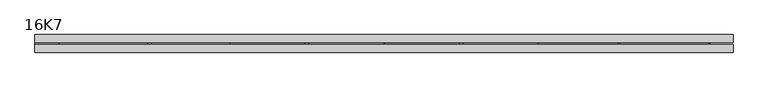
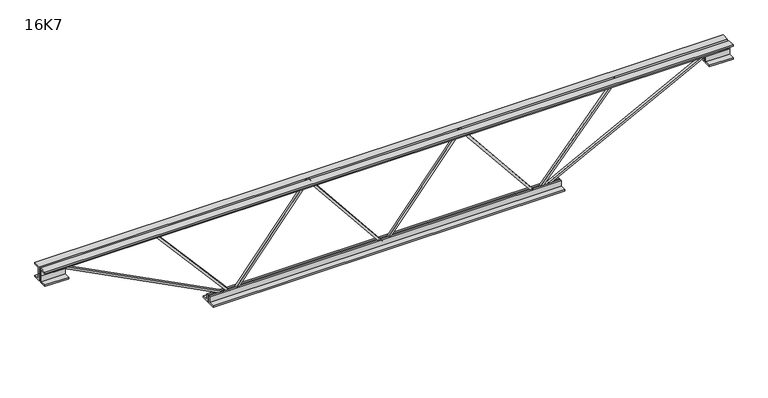
"""IFC4 building model written with IfcOpenShell, lengths in millimetres: beam geometry, 16K7."""

from ifc_helpers import new_model, si_unit, frame, origin, place, context, project, spatial, polyline, outline, extrude, source, transform, mapped, element, save


def beam_16k7_a87d482b(model_context):
    return source(origin(), model_context, "Body", "SweptSolid", [
        extrude(outline(polyline([(-191.9, 0.0), (-201.4, 0.0), (-201.4, 5.4533975), (191.9, 321.1033975), (191.9, 322.8966025), (-201.4, 638.5466025), (-201.4, 644.0), (-191.9, 644.0), (-191.9, 643.1033975), (201.4, 327.4533975), (201.4, 316.5466025), (-191.9, 0.8966025), (-191.9, 0.0)])), frame((0.0, -4.75, 0.0), z_axis=(0.0, 1.0, 0.0), x_axis=(0.0, 0.0, 1.0)), (0.0, 0.0, 1.0), 9.5),
        extrude(outline(polyline([(-191.9, -644.0), (-201.4, -644.0), (-201.4, -638.5466025), (191.9, -322.8966025), (191.9, -321.1033975), (-201.4, -5.4533975), (-201.4, 0.0), (-191.9, 0.0), (-191.9, -0.8966025), (201.4, -316.5466025), (201.4, -327.4533975), (-191.9, -643.1033975), (-191.9, -644.0)])), frame((0.0, -4.75, 0.0), z_axis=(0.0, 1.0, 0.0), x_axis=(0.0, 0.0, 1.0)), (0.0, 0.0, 1.0), 9.5),
        extrude(outline(polyline([(4.75, 203.0), (36.75, 203.0), (36.75, 196.5), (11.25, 196.5), (11.25, 171.0), (4.75, 171.0), (4.75, 203.0)])), frame((-1456.0, 0.0, 0.0), z_axis=(1.0, 0.0, 0.0), x_axis=(0.0, 1.0, 0.0)), (0.0, 0.0, 1.0), 2912.0),
        extrude(outline(polyline([(-4.75, 203.0), (-4.75, 171.0), (-11.25, 171.0), (-11.25, 196.5), (-36.75, 196.5), (-36.75, 203.0), (-4.75, 203.0)])), frame((-1456.0, 0.0, 0.0), z_axis=(1.0, 0.0, 0.0), x_axis=(0.0, 1.0, 0.0)), (0.0, 0.0, 1.0), 2912.0),
        extrude(outline(polyline([(-4.75, 139.5), (-36.75, 139.5), (-36.75, 146.0), (-11.25, 146.0), (-11.25, 171.0), (-4.75, 171.0), (-4.75, 139.5)])), frame((-1456.0, 0.0, 0.0), z_axis=(1.0, 0.0, 0.0), x_axis=(0.0, 1.0, 0.0)), (0.0, 0.0, 1.0), 100.0),
        extrude(outline(polyline([(36.75, 139.5), (4.75, 139.5), (4.75, 171.0), (11.25, 171.0), (11.25, 146.0), (36.75, 146.0), (36.75, 139.5)])), frame((-1456.0, 0.0, 0.0), z_axis=(1.0, 0.0, 0.0), x_axis=(0.0, 1.0, 0.0)), (0.0, 0.0, 1.0), 100.0),
        extrude(outline(polyline([(4.75, 139.5), (4.75, 171.0), (11.25, 171.0), (11.25, 146.0), (36.75, 146.0), (36.75, 139.5), (4.75, 139.5)])), frame((1356.0, 0.0, 0.0), z_axis=(1.0, 0.0, 0.0), x_axis=(0.0, 1.0, 0.0)), (0.0, 0.0, 1.0), 100.0),
        extrude(outline(polyline([(-4.75, 139.5), (-36.75, 139.5), (-36.75, 146.0), (-11.25, 146.0), (-11.25, 171.0), (-4.75, 171.0), (-4.75, 139.5)])), frame((1356.0, 0.0, 0.0), z_axis=(1.0, 0.0, 0.0), x_axis=(0.0, 1.0, 0.0)), (0.0, 0.0, 1.0), 100.0),
        extrude(outline(polyline([(4.75, -203.0), (4.75, -171.0), (11.25, -171.0), (11.25, -196.5), (36.75, -196.5), (36.75, -203.0), (4.75, -203.0)])), frame((-744.0, 0.0, 0.0), z_axis=(1.0, 0.0, 0.0), x_axis=(0.0, 1.0, 0.0)), (0.0, 0.0, 1.0), 1488.0),
        extrude(outline(polyline([(-4.75, -203.0), (-36.75, -203.0), (-36.75, -196.5), (-11.25, -196.5), (-11.25, -171.0), (-4.75, -171.0), (-4.75, -203.0)])), frame((-744.0, 0.0, 0.0), z_axis=(1.0, 0.0, 0.0), x_axis=(0.0, 1.0, 0.0)), (0.0, 0.0, 1.0), 1488.0),
        extrude(outline(polyline([(-200.8705467, -646.1793315), (-192.4294533, -641.8206685), (175.75, -1354.8460208), (175.75, -1456.0), (166.25, -1456.0), (166.25, -1357.1539792), (-200.8705467, -646.1793315)])), frame((0.0, -4.75, 0.0), z_axis=(0.0, 1.0, 0.0), x_axis=(0.0, 0.0, 1.0)), (0.0, 0.0, 1.0), 9.5),
        extrude(outline(polyline([(188.7, -985.9571429), (179.2, -985.9571429), (179.2, -975.4287001), (-199.7577053, -647.5923067), (-193.5422947, -640.4076933), (188.7, -971.0855856), (188.7, -985.9571429)])), frame((0.0, -4.75, 0.0), z_axis=(0.0, 1.0, 0.0), x_axis=(0.0, 0.0, 1.0)), (0.0, 0.0, 1.0), 9.5),
        extrude(outline(polyline([(0.0, -9.5), (0.0, 0.0), (801.3179909, 0.0), (801.3179909, -9.5), (0.0, -9.5)])), frame((1358.1793315, -4.75, 166.7794533), z_axis=(-0.4588066213244957, 0.0, 0.8885361468329811), x_axis=(-0.8885361468329811, 0.0, -0.4588066213244957)), (0.0, 0.0, 1.0), 9.5),
        extrude(outline(polyline([(4.75, 4.75), (4.75, -4.75), (-4.75, -4.75), (-4.75, 4.75), (4.75, 4.75)])), frame((644.0, 0.0, -196.65), z_axis=(0.6501229000381701, 0.0, 0.7598290694925797), x_axis=(0.0, -1.0, 0.0)), (0.0, 0.0, 1.0), 517.6164164),
    ])


if __name__ == "__main__":
    model = new_model("IFC4")
    model_context = context("Model", 3, world=origin())
    ifc_project = project(units=[si_unit("LENGTHUNIT", "METRE", prefix="MILLI")], contexts=[model_context])
    site = spatial("IfcSite", under=ifc_project)
    building = spatial("IfcBuilding", under=site)
    placement = place(None, origin())
    beam_16k7_shape = beam_16k7_a87d482b(model_context)
    element("IfcBeam", 1, ObjectType="16K7", at=placement, inside=building, context=model_context, shape_type="MappedRepresentation", body=[
        mapped(beam_16k7_shape, transform((0.0, 0.0, 0.0), x_axis=(1.0, 0.0, 0.0), y_axis=(0.0, 1.0, 0.0), z_axis=(0.0, 0.0, 1.0))),
    ])
    save(model, "model.ifc")
